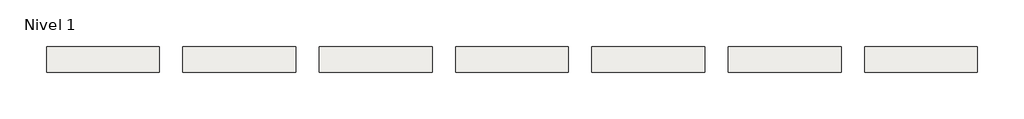
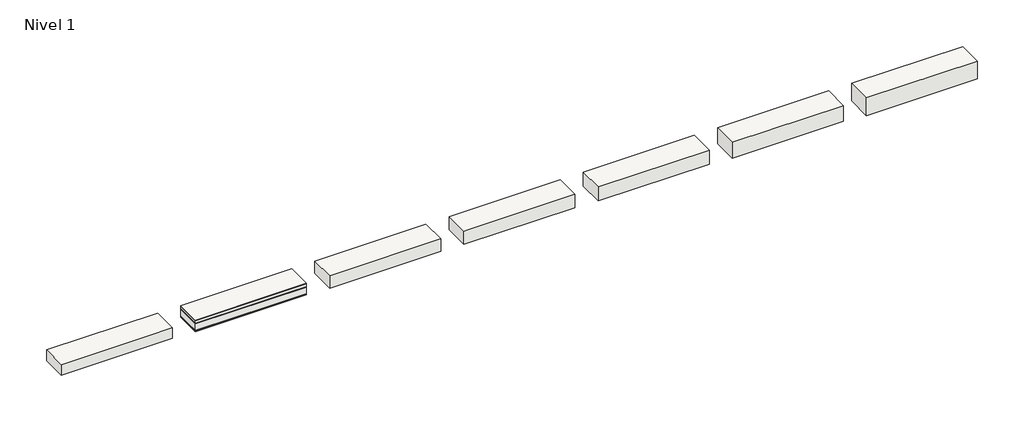
# One storey: 7 slabs.
"""IFC4 building model written with IfcOpenShell, lengths in millimetres."""

from ifc_helpers import new_model, si_unit, frame, origin, place, context, project, spatial, polyline, outline, extrude, element, save

model = new_model("IFC4")

# Units and contexts
model_context = context("Model", 3, world=origin())
ifc_project = project(units=[si_unit("LENGTHUNIT", "METRE", prefix="MILLI")], contexts=[model_context])

# Site, building, storey
site = spatial("IfcSite", under=ifc_project)
building = spatial("IfcBuilding", under=site)
storey = spatial("IfcBuildingStorey", under=building, Name="Nivel 1", Elevation=0.0)

# Slabs
placement = place(None, origin())
element("IfcSlab", 1, at=placement, inside=storey, context=model_context, shape_type="SweptSolid", body=[
    extrude(outline(polyline([(1484.4345966, -2411.6608764), (1484.4345966, -2961.6608764), (-915.5654034, -2961.6608764), (-915.5654034, -2411.6608764), (1484.4345966, -2411.6608764)])), frame((0.0, 0.0, -12.5), z_axis=(0.0, 0.0, 1.0), x_axis=(1.0, 0.0, 0.0)), (0.0, 0.0, 1.0), 12.5),
    extrude(outline(polyline([(1484.4345966, -2411.6608764), (1484.4345966, -2961.6608764), (-915.5654034, -2961.6608764), (-915.5654034, -2411.6608764), (1484.4345966, -2411.6608764)])), frame((0.0, 0.0, -72.5), z_axis=(0.0, 0.0, 1.0), x_axis=(1.0, 0.0, 0.0)), (0.0, 0.0, 1.0), 60.0),
    extrude(outline(polyline([(1484.4345966, -2411.6608764), (1484.4345966, -2961.6608764), (-915.5654034, -2961.6608764), (-915.5654034, -2411.6608764), (1484.4345966, -2411.6608764)])), frame((0.0, 0.0, -85.0), z_axis=(0.0, 0.0, 1.0), x_axis=(1.0, 0.0, 0.0)), (0.0, 0.0, 1.0), 12.5),
    extrude(outline(polyline([(1484.4345966, -2411.6608764), (1484.4345966, -2961.6608764), (-915.5654034, -2961.6608764), (-915.5654034, -2411.6608764), (1484.4345966, -2411.6608764)])), frame((0.0, 0.0, -235.0), z_axis=(0.0, 0.0, 1.0), x_axis=(1.0, 0.0, 0.0)), (0.0, 0.0, 1.0), 150.0),
    extrude(outline(polyline([(1484.4345966, -2411.6608764), (1484.4345966, -2961.6608764), (-915.5654034, -2961.6608764), (-915.5654034, -2411.6608764), (1484.4345966, -2411.6608764)])), frame((0.0, 0.0, -247.5), z_axis=(0.0, 0.0, 1.0), x_axis=(1.0, 0.0, 0.0)), (0.0, 0.0, 1.0), 12.5),
    extrude(outline(polyline([(1484.4345966, -2411.6608764), (1484.4345966, -2961.6608764), (-915.5654034, -2961.6608764), (-915.5654034, -2411.6608764), (1484.4345966, -2411.6608764)])), frame((0.0, 0.0, -262.5), z_axis=(0.0, 0.0, 1.0), x_axis=(1.0, 0.0, 0.0)), (0.0, 0.0, 1.0), 15.0),
])
element("IfcSlab", 2, at=placement, inside=storey, context=model_context, shape_type="SweptSolid", body=[
    extrude(outline(polyline([(4384.4345966, -2411.6608764), (4384.4345966, -2961.6608764), (1984.4345966, -2961.6608764), (1984.4345966, -2411.6608764), (4384.4345966, -2411.6608764)])), frame((0.0, 0.0, -282.5), z_axis=(0.0, 0.0, 1.0), x_axis=(1.0, 0.0, 0.0)), (0.0, 0.0, 1.0), 282.5),
])
element("IfcSlab", 3, at=placement, inside=storey, context=model_context, shape_type="SweptSolid", body=[
    extrude(outline(polyline([(7284.4345966, -2411.6608764), (7284.4345966, -2961.6608764), (4884.4345966, -2961.6608764), (4884.4345966, -2411.6608764), (7284.4345966, -2411.6608764)])), frame((0.0, 0.0, -302.5), z_axis=(0.0, 0.0, 1.0), x_axis=(1.0, 0.0, 0.0)), (0.0, 0.0, 1.0), 302.5),
])
element("IfcSlab", 4, at=placement, inside=storey, context=model_context, shape_type="SweptSolid", body=[
    extrude(outline(polyline([(10184.4345966, -2411.6608764), (10184.4345966, -2961.6608764), (7784.4345966, -2961.6608764), (7784.4345966, -2411.6608764), (10184.4345966, -2411.6608764)])), frame((0.0, 0.0, -322.5), z_axis=(0.0, 0.0, 1.0), x_axis=(1.0, 0.0, 0.0)), (0.0, 0.0, 1.0), 322.5),
])
element("IfcSlab", 5, at=placement, inside=storey, context=model_context, shape_type="SweptSolid", body=[
    extrude(outline(polyline([(13084.4345966, -2411.6608764), (13084.4345966, -2961.6608764), (10684.4345966, -2961.6608764), (10684.4345966, -2411.6608764), (13084.4345966, -2411.6608764)])), frame((0.0, 0.0, -362.5), z_axis=(0.0, 0.0, 1.0), x_axis=(1.0, 0.0, 0.0)), (0.0, 0.0, 1.0), 362.5),
])
element("IfcSlab", 6, at=placement, inside=storey, context=model_context, shape_type="SweptSolid", body=[
    extrude(outline(polyline([(15984.4345966, -2411.6608764), (15984.4345966, -2961.6608764), (13584.4345966, -2961.6608764), (13584.4345966, -2411.6608764), (15984.4345966, -2411.6608764)])), frame((0.0, 0.0, -402.5), z_axis=(0.0, 0.0, 1.0), x_axis=(1.0, 0.0, 0.0)), (0.0, 0.0, 1.0), 402.5),
])
element("IfcSlab", 7, at=placement, inside=storey, context=model_context, shape_type="SweptSolid", body=[
    extrude(outline(polyline([(-1415.5654034, -2411.6608764), (-1415.5654034, -2961.6608764), (-3815.5654034, -2961.6608764), (-3815.5654034, -2411.6608764), (-1415.5654034, -2411.6608764)])), frame((0.0, 0.0, -242.5), z_axis=(0.0, 0.0, 1.0), x_axis=(1.0, 0.0, 0.0)), (0.0, 0.0, 1.0), 242.5),
])

save(model, "model.ifc")
